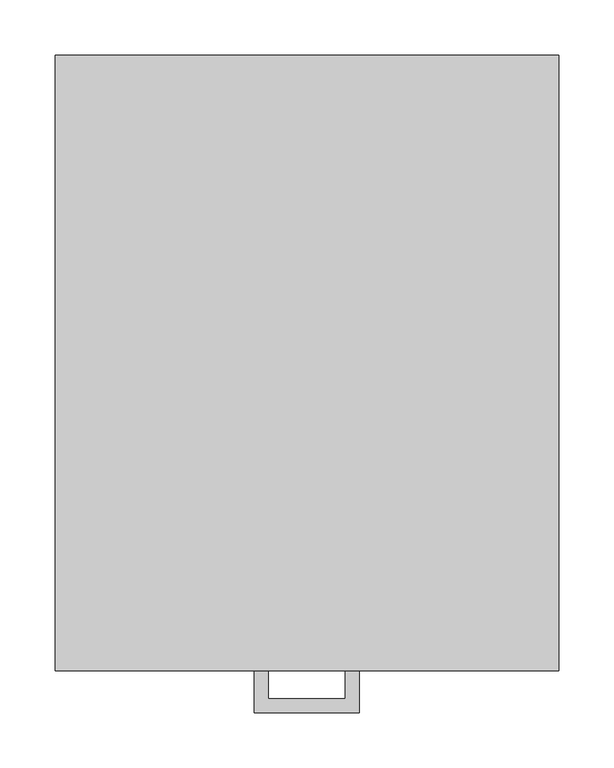
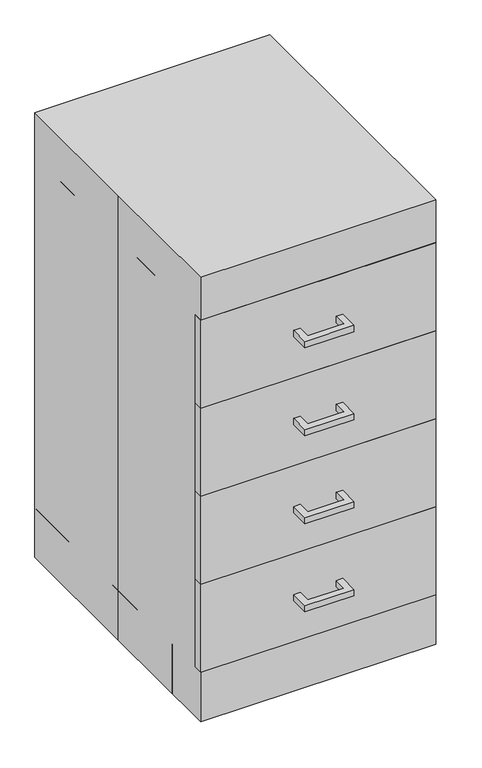
"""IFC4 building model written with IfcOpenShell, lengths in millimetres: proxy geometry."""

from ifc_helpers import new_model, si_unit, frame, origin, origin_with_axes, place, context, project, spatial, polyline, outline, extrude, source, transform, mapped, element, save


def specialty_equipment_c479a808(model_context):
    return source(origin(), model_context, "Body", "SweptSolid", [
        extrude(outline(polyline([(47.625, -317.5), (-47.625, -317.5), (-47.625, -279.4), (-34.9409299, -279.4), (-34.9409299, -304.8159299), (34.9409299, -304.8159299), (34.9409299, -279.4), (47.625, -279.4), (47.625, -317.5)])), frame((0.0, 0.0, 729.231624), z_axis=(0.0, 0.0, 1.0), x_axis=(1.0, 0.0, 0.0)), (0.0, 0.0, 1.0), 12.7),
        extrude(outline(polyline([(228.6, -279.4), (-228.6, -279.4), (-228.6, -260.35), (228.6, -260.35), (228.6, -279.4)])), frame((0.0, 0.0, 645.0128206), z_axis=(0.0, 0.0, 1.0), x_axis=(1.0, 0.0, 0.0)), (0.0, 0.0, 1.0), 181.1376069),
        extrude(outline(polyline([(47.625, -317.5), (-47.625, -317.5), (-47.625, -279.4), (-34.9409299, -279.4), (-34.9409299, -304.8159299), (34.9409299, -304.8159299), (34.9409299, -279.4), (47.625, -279.4), (47.625, -317.5)])), frame((0.0, 0.0, 548.0940172), z_axis=(0.0, 0.0, 1.0), x_axis=(1.0, 0.0, 0.0)), (0.0, 0.0, 1.0), 12.7),
        extrude(outline(polyline([(228.6, -279.4), (-228.6, -279.4), (-228.6, -260.35), (228.6, -260.35), (228.6, -279.4)])), frame((0.0, 0.0, 463.8752137), z_axis=(0.0, 0.0, 1.0), x_axis=(1.0, 0.0, 0.0)), (0.0, 0.0, 1.0), 181.1376069),
        extrude(outline(polyline([(47.625, -317.5), (-47.625, -317.5), (-47.625, -279.4), (-34.9409299, -279.4), (-34.9409299, -304.8159299), (34.9409299, -304.8159299), (34.9409299, -279.4), (47.625, -279.4), (47.625, -317.5)])), frame((0.0, 0.0, 366.9564103), z_axis=(0.0, 0.0, 1.0), x_axis=(1.0, 0.0, 0.0)), (0.0, 0.0, 1.0), 12.7),
        extrude(outline(polyline([(228.6, -279.4), (-228.6, -279.4), (-228.6, -260.35), (228.6, -260.35), (228.6, -279.4)])), frame((0.0, 0.0, 282.7376069), z_axis=(0.0, 0.0, 1.0), x_axis=(1.0, 0.0, 0.0)), (0.0, 0.0, 1.0), 181.1376069),
        extrude(outline(polyline([(47.625, -317.5), (-47.625, -317.5), (-47.625, -279.4), (-34.9409299, -279.4), (-34.9409299, -304.8159299), (34.9409299, -304.8159299), (34.9409299, -279.4), (47.625, -279.4), (47.625, -317.5)])), frame((0.0, 0.0, 185.8188034), z_axis=(0.0, 0.0, 1.0), x_axis=(1.0, 0.0, 0.0)), (0.0, 0.0, 1.0), 12.7),
        extrude(outline(polyline([(228.6, -279.4), (-228.6, -279.4), (-228.6, -260.35), (228.6, -260.35), (228.6, -279.4)])), frame((0.0, 0.0, 101.6), z_axis=(0.0, 0.0, 1.0), x_axis=(1.0, 0.0, 0.0)), (0.0, 0.0, 1.0), 181.1376069),
        extrude(outline(polyline([(-228.6, 279.4), (228.6, 279.4), (228.6, -279.4), (-228.6, -279.4), (-228.6, 0.0), (-228.6, 279.4)])), origin_with_axes(), (0.0, 0.0, 1.0), 914.4),
        extrude(outline(polyline([(-228.6, -260.35), (-228.6, 279.4), (-209.55, 279.4), (-209.55, -260.35), (-228.6, -260.35)])), frame((0.0, 0.0, 101.6), z_axis=(0.0, 0.0, 1.0), x_axis=(1.0, 0.0, 0.0)), (0.0, 0.0, 1.0), 723.8674767),
        extrude(outline(polyline([(209.55, -260.35), (209.55, 279.4), (228.6, 279.4), (228.6, -260.35), (209.55, -260.35)])), frame((0.0, 0.0, 101.6), z_axis=(0.0, 0.0, 1.0), x_axis=(1.0, 0.0, 0.0)), (0.0, 0.0, 1.0), 723.8674767),
        extrude(outline(polyline([(228.6, -203.2), (-228.6, -203.2), (-228.6, -184.15), (228.6, -184.15), (228.6, -203.2)])), origin_with_axes(), (0.0, 0.0, 1.0), 101.6),
        extrude(outline(polyline([(-228.6, -184.15), (-228.6, 279.4), (-209.55, 279.4), (-209.55, -184.15), (-228.6, -184.15)])), origin_with_axes(), (0.0, 0.0, 1.0), 101.6),
        extrude(outline(polyline([(209.55, -184.15), (209.55, 279.4), (228.6, 279.4), (228.6, -184.15), (209.55, -184.15)])), origin_with_axes(), (0.0, 0.0, 1.0), 101.6),
        extrude(outline(polyline([(228.6, 260.35), (-228.6, 260.35), (-228.6, 279.4), (228.6, 279.4), (228.6, 260.35)])), origin_with_axes(), (0.0, 0.0, 1.0), 101.6),
        extrude(outline(polyline([(209.55, 260.35), (209.55, -260.35), (-209.55, -260.35), (-209.55, 260.35), (209.55, 260.35)])), frame((0.0, 0.0, 101.6), z_axis=(0.0, 0.0, 1.0), x_axis=(1.0, 0.0, 0.0)), (0.0, 0.0, 1.0), 19.1166954),
        extrude(outline(polyline([(209.55, 260.35), (-209.55, 260.35), (-209.55, 279.4), (209.55, 279.4), (209.55, 260.35)])), frame((0.0, 0.0, 101.6), z_axis=(0.0, 0.0, 1.0), x_axis=(1.0, 0.0, 0.0)), (0.0, 0.0, 1.0), 704.8174767),
    ])


if __name__ == "__main__":
    model = new_model("IFC4")
    model_context = context("Model", 3, world=origin())
    ifc_project = project(units=[si_unit("LENGTHUNIT", "METRE", prefix="MILLI")], contexts=[model_context])
    site = spatial("IfcSite", under=ifc_project)
    building = spatial("IfcBuilding", under=site)
    placement = place(None, origin())
    specialty_equipment_shape = specialty_equipment_c479a808(model_context)
    element("IfcBuildingElementProxy", 1, Name="Specialty Equipment", at=placement, inside=building, context=model_context, shape_type="MappedRepresentation", body=[
        mapped(specialty_equipment_shape, transform((0.0, 0.0, 0.0), x_axis=(1.0, 0.0, 0.0), y_axis=(0.0, 1.0, 0.0), z_axis=(0.0, 0.0, 1.0))),
    ])
    save(model, "model.ifc")
